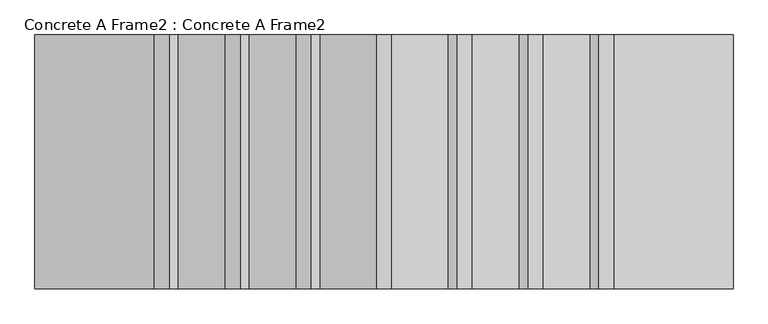
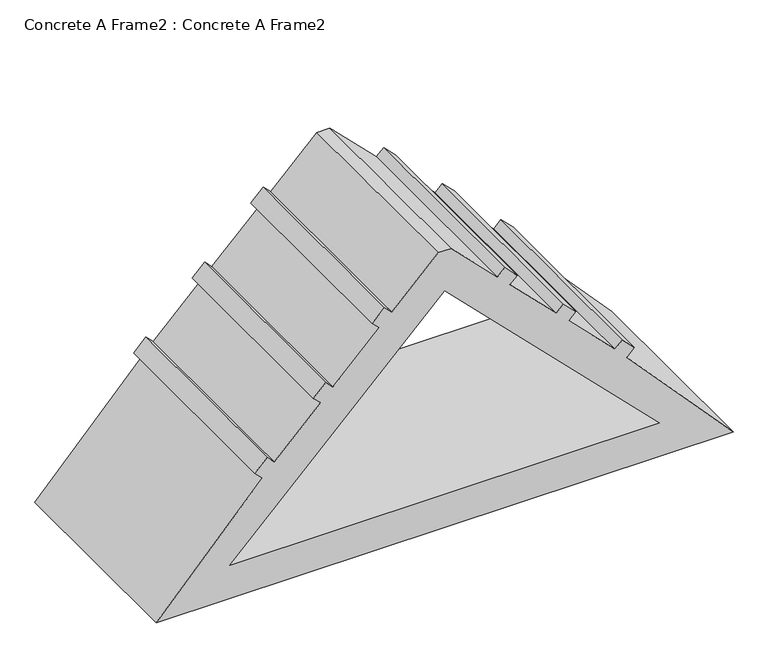
"""IFC4 building model written with IfcOpenShell, lengths in millimetres: proxy geometry, Concrete A Frame2 : Concrete A Frame2."""

from ifc_helpers import new_model, si_unit, frame, origin, place, context, project, spatial, polyline, outline, extrude, source, transform, mapped, element, save


def concrete_a_frame2_concrete_a_frame2_38c36bb4(model_context):
    return source(origin(), model_context, "Body", "SweptSolid", [
        extrude(outline(polyline([(0.0, 263075.2239206), (674.0537458, 262457.3413203), (718.9550264, 262502.2426009), (790.7970754, 262430.4005519), (749.0193621, 262388.6228387), (1018.4270457, 262119.215155), (1060.204759, 262160.9928683), (1132.046808, 262089.1508193), (1090.2690947, 262047.373106), (1359.6767783, 261777.9654224), (1401.4544916, 261819.7431357), (1473.2965406, 261747.9010867), (1431.5188273, 261706.1233734), (1700.9265109, 261436.7156898), (1700.9265109, 261360.9321514), (1431.5188273, 261091.5244677), (1473.2965406, 261049.7467545), (1401.4544916, 260977.9047055), (1359.6767783, 261019.6824188), (1090.2690947, 260750.2747351), (1132.046808, 260708.4970219), (1060.204759, 260636.6549729), (1018.4270457, 260678.4326862), (749.0193621, 260409.0250025), (790.7970754, 260367.2472893), (718.9550264, 260295.4052403), (674.0537458, 260340.3065209), (0.0, 259722.4239206), (0.0, 263075.2239206)]), holes=[polyline([(1451.4500843, 261398.8239206), (203.2, 262647.0740049), (203.2, 260150.5738363), (1451.4500843, 261398.8239206)])]), frame((0.0, -101518.0247246, 0.0), z_axis=(0.0, 1.0, 0.0), x_axis=(0.0, 0.0, 1.0)), (0.0, 0.0, 1.0), 1219.2),
    ])


if __name__ == "__main__":
    model = new_model("IFC4")
    model_context = context("Model", 3, world=origin())
    ifc_project = project(units=[si_unit("LENGTHUNIT", "METRE", prefix="MILLI")], contexts=[model_context])
    site = spatial("IfcSite", under=ifc_project)
    building = spatial("IfcBuilding", under=site)
    placement = place(None, origin())
    concrete_a_frame2_concrete_a_frame2_shape = concrete_a_frame2_concrete_a_frame2_38c36bb4(model_context)
    element("IfcBuildingElementProxy", 1, Name="Concrete A Frame2 : Concrete A Frame2", ObjectType="Concrete A Frame2 : Concrete A Frame2", at=placement, inside=building, context=model_context, shape_type="MappedRepresentation", body=[
        mapped(concrete_a_frame2_concrete_a_frame2_shape, transform((0.0, 0.0, 0.0), x_axis=(1.0, 0.0, 0.0), y_axis=(0.0, 1.0, 0.0), z_axis=(0.0, 0.0, 1.0))),
    ])
    save(model, "model.ifc")
